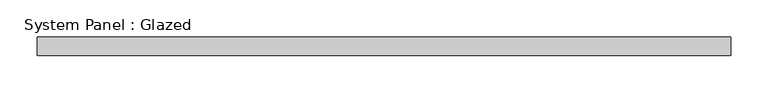
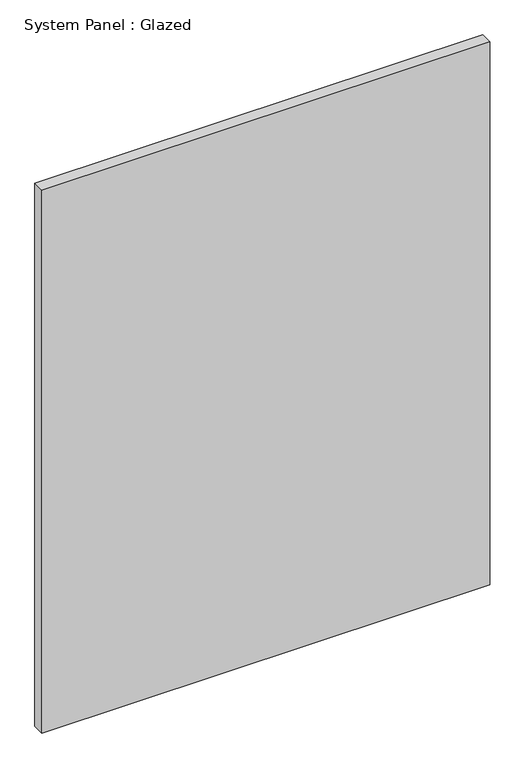
"""IFC4 building model written with IfcOpenShell, lengths in millimetres: plate geometry, System Panel : Glazed."""

from ifc_helpers import new_model, si_unit, origin, origin_with_axes, place, context, project, spatial, polyline, outline, extrude, source, transform, mapped, element, save


def system_panel_glazed_6770d0d3(model_context):
    return source(origin(), model_context, "Body", "SweptSolid", [
        extrude(outline(polyline([(468.25, 19.05), (-468.25, 19.05), (-468.25, 44.45), (468.25, 44.45), (468.25, 19.05)])), origin_with_axes(), (0.0, 0.0, 1.0), 1200.0),
    ])


if __name__ == "__main__":
    model = new_model("IFC4")
    model_context = context("Model", 3, world=origin())
    ifc_project = project(units=[si_unit("LENGTHUNIT", "METRE", prefix="MILLI")], contexts=[model_context])
    site = spatial("IfcSite", under=ifc_project)
    building = spatial("IfcBuilding", under=site)
    placement = place(None, origin())
    system_panel_glazed_shape = system_panel_glazed_6770d0d3(model_context)
    element("IfcPlate", 1, ObjectType="System Panel : Glazed", at=placement, inside=building, context=model_context, shape_type="MappedRepresentation", body=[
        mapped(system_panel_glazed_shape, transform((0.0, 0.0, 0.0), x_axis=(1.0, 0.0, 0.0), y_axis=(0.0, 1.0, 0.0), z_axis=(0.0, 0.0, 1.0))),
    ])
    save(model, "model.ifc")
